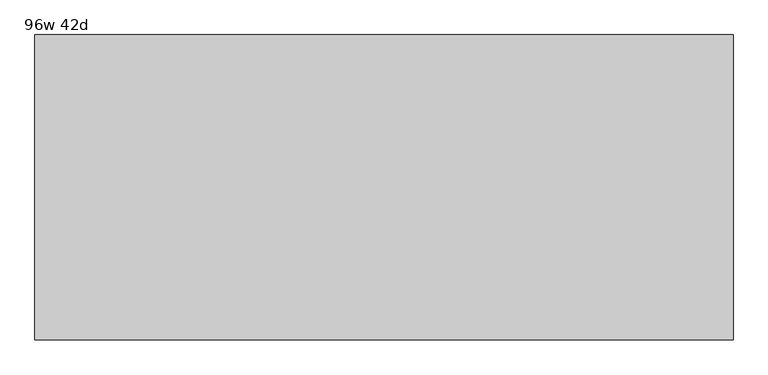
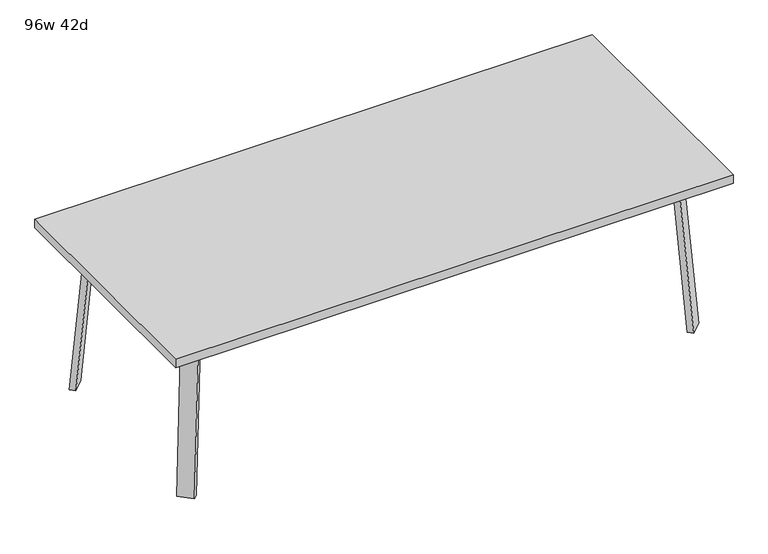
"""IFC4 building model written with IfcOpenShell, lengths in millimetres: furniture geometry, 96w 42d."""

import ifcopenshell
import ifcopenshell.guid

model = None  # the IFC model being written
_history = None  # IfcOwnerHistory: only IFC2X3 demands one
_inside = {}  # id of a spatial element -> (the spatial element, [elements in it])
_under = {}  # id of a project, library or spatial element -> (it, [spatial elements below it])
_declared = {}  # id of a project -> (the project, [libraries it declares])
_typed = {}  # id of a type object -> (the type object, [elements of that type])
_made_of = {}  # id of a material, layer set ... -> (it, [elements and type objects made of it])


def new_model(schema):
    """Start an empty IFC model of exactly this schema.

    Asked for "IFC4X3", IfcOpenShell would pick the latest addendum, in which some entities
    have other attributes; the version numbers below select the first issue.
    IFC2X3 requires an IfcOwnerHistory on every rooted entity: one is made here for all.
    """
    global model, _history
    if schema == "IFC4X3":
        model = ifcopenshell.file(schema_version=(4, 3, 0, 0))
    else:
        model = ifcopenshell.file(schema=schema)
    _inside.clear()
    _under.clear()
    _declared.clear()
    _typed.clear()
    _made_of.clear()
    _history = None
    if model.schema == "IFC2X3":
        org = make("IfcOrganization", Name="unknown")
        user = make(
            "IfcPersonAndOrganization",
            ThePerson=make("IfcPerson", FamilyName="unknown"),
            TheOrganization=org,
        )
        app = make(
            "IfcApplication",
            ApplicationDeveloper=org,
            Version="unknown",
            ApplicationFullName="unknown",
            ApplicationIdentifier="unknown",
        )
        _history = make(
            "IfcOwnerHistory",
            OwningUser=user,
            OwningApplication=app,
            ChangeAction="ADDED",
            CreationDate=0,
        )
    return model


def make(cls, **values):
    """One entity of the class cls with the attributes given. An attribute that is None is left unset."""
    return model.create_entity(
        cls, **{name: value for name, value in values.items() if value is not None}
    )


def rooted(cls, **values):
    """An entity with a GlobalId (a new one), such as an element, a storey or a relation."""
    return make(cls, GlobalId=ifcopenshell.guid.new(), OwnerHistory=_history, **values)


def si_unit(unit_type, name, prefix=None):
    """IfcSIUnit, for example si_unit("LENGTHUNIT", "METRE", prefix="MILLI")."""
    return make("IfcSIUnit", UnitType=unit_type, Prefix=prefix, Name=name)


def assignment(units):
    """IfcUnitAssignment: the units of a project."""
    return None if units is None else make("IfcUnitAssignment", Units=units)


def point(xyz):
    """IfcCartesianPoint."""
    return None if xyz is None else make("IfcCartesianPoint", Coordinates=xyz)


def direction(xyz):
    """IfcDirection."""
    return None if xyz is None else make("IfcDirection", DirectionRatios=xyz)


def frame(location, z_axis=None, x_axis=None):
    """IfcAxis2Placement3D, a coordinate frame: its origin and axes. An axis left out is left unset."""
    return make(
        "IfcAxis2Placement3D",
        Location=point(location),
        Axis=direction(z_axis),
        RefDirection=direction(x_axis),
    )


def frame_2d(location, x_axis=None):
    """IfcAxis2Placement2D, a coordinate frame in the plane: its origin and x axis."""
    return make(
        "IfcAxis2Placement2D", Location=point(location), RefDirection=direction(x_axis)
    )


def origin():
    """The frame at (0, 0, 0) with its axes left unset."""
    return frame((0.0, 0.0, 0.0))


def place(relative_to, where):
    """IfcLocalPlacement: puts the frame where relative to a parent placement (None: the world)."""
    return make(
        "IfcLocalPlacement", PlacementRelTo=relative_to, RelativePlacement=where
    )


def context(
    kind, dimensions, precision=None, world=None, true_north=None, identifier=None
):
    """IfcGeometricRepresentationContext, for example the 3D "Model" context."""
    return make(
        "IfcGeometricRepresentationContext",
        ContextIdentifier=identifier,
        ContextType=kind,
        CoordinateSpaceDimension=dimensions,
        Precision=precision,
        WorldCoordinateSystem=world,
        TrueNorth=true_north,
    )


def project(units=None, contexts=None):
    """IfcProject with its units and contexts."""
    return rooted(
        "IfcProject",
        Name="project",
        RepresentationContexts=contexts,
        UnitsInContext=assignment(units),
    )


def spatial(cls, under=None, at=None, **own):
    """A site, building, storey or space (cls), placed at a placement, below another one or the project."""
    s = rooted(cls, ObjectPlacement=at, **own)
    if under is not None:
        _under.setdefault(under.id(), (under, []))[1].append(s)
    return s


def polyline(points):
    """IfcPolyline through the points."""
    return make("IfcPolyline", Points=[point(p) for p in points])


def circle_curve(where, radius):
    """IfcCircle in the frame where."""
    return make("IfcCircle", Position=where, Radius=radius)


def trimmed(basis, trim1, trim2, sense, master):
    """IfcTrimmedCurve: the piece of a basis curve between two trims."""
    return make(
        "IfcTrimmedCurve",
        BasisCurve=basis,
        Trim1=trim1,
        Trim2=trim2,
        SenseAgreement=sense,
        MasterRepresentation=master,
    )


def segment(curve, same_sense, transition):
    """IfcCompositeCurveSegment."""
    return make(
        "IfcCompositeCurveSegment",
        Transition=transition,
        SameSense=same_sense,
        ParentCurve=curve,
    )


def composite_curve(segments, self_intersect=None):
    """IfcCompositeCurve: segments joined end to end."""
    return make("IfcCompositeCurve", Segments=segments, SelfIntersect=self_intersect)


def outline(outer, holes=None, kind="AREA"):
    """IfcArbitraryClosedProfileDef: a profile drawn as a closed curve; with holes, ...WithVoids."""
    if holes is None:
        return make("IfcArbitraryClosedProfileDef", ProfileType=kind, OuterCurve=outer)
    return make(
        "IfcArbitraryProfileDefWithVoids",
        ProfileType=kind,
        OuterCurve=outer,
        InnerCurves=holes,
    )


def extrude(swept, where, along, depth):
    """IfcExtrudedAreaSolid: the profile swept, set in the frame where, extruded along a direction by depth."""
    return make(
        "IfcExtrudedAreaSolid",
        SweptArea=swept,
        Position=where,
        ExtrudedDirection=direction(along),
        Depth=depth,
    )


def faces_of(points, faces, orient=None, outer=None):
    """IfcFace entities. A face is a list of loops; a loop is a list of indices into points, from 0.

    orient and outer hold one flag for each loop. By default every Orientation is true, the
    first loop of a face is its IfcFaceOuterBound and the others are IfcFaceBound.
    """
    made = []
    for i, loops in enumerate(faces):
        bounds = []
        for j, loop in enumerate(loops):
            is_outer = j == 0 if outer is None else outer[i][j]
            bounds.append(
                make(
                    "IfcFaceOuterBound" if is_outer else "IfcFaceBound",
                    Bound=make("IfcPolyLoop", Polygon=[points[k] for k in loop]),
                    Orientation=True if orient is None else orient[i][j],
                )
            )
        made.append(make("IfcFace", Bounds=bounds))
    return made


def faceted_brep(points, faces, orient=None, outer=None, voids=None):
    """IfcFacetedBrep: a solid bounded by flat faces; with voids (closed shells), ...WithVoids."""
    shared = [point(p) for p in points]
    hull = make("IfcClosedShell", CfsFaces=faces_of(shared, faces, orient, outer))
    if voids is None:
        return make("IfcFacetedBrep", Outer=hull)
    return make(
        "IfcFacetedBrepWithVoids",
        Outer=hull,
        Voids=[
            make(cls, CfsFaces=faces_of(shared, fs, o, b)) for cls, fs, o, b in voids
        ],
    )


def shape(context_of_items, identifier, shape_type, items):
    """IfcShapeRepresentation: the items that make up one representation, for example the "Body"."""
    return make(
        "IfcShapeRepresentation",
        ContextOfItems=context_of_items,
        RepresentationIdentifier=identifier,
        RepresentationType=shape_type,
        Items=items,
    )


def source(mapping_origin, context_of_items, identifier, shape_type, items):
    """IfcRepresentationMap: a shape defined once, which mapped items show again and again."""
    return make(
        "IfcRepresentationMap",
        MappingOrigin=mapping_origin,
        MappedRepresentation=shape(context_of_items, identifier, shape_type, items),
    )


def transform(
    local_origin,
    x_axis=None,
    y_axis=None,
    z_axis=None,
    scale=None,
    scale2=None,
    scale3=None,
    uniform=True,
):
    """IfcCartesianTransformationOperator3D, or its non-uniform kind. x_axis, y_axis, z_axis: its Axis1, 2, 3."""
    if uniform:
        return make(
            "IfcCartesianTransformationOperator3D",
            Axis1=direction(x_axis),
            Axis2=direction(y_axis),
            LocalOrigin=point(local_origin),
            Scale=scale,
            Axis3=direction(z_axis),
        )
    return make(
        "IfcCartesianTransformationOperator3DnonUniform",
        Axis1=direction(x_axis),
        Axis2=direction(y_axis),
        LocalOrigin=point(local_origin),
        Scale=scale,
        Axis3=direction(z_axis),
        Scale2=scale2,
        Scale3=scale3,
    )


def mapped(mapping_source, mapping_target):
    """IfcMappedItem: shows the shape of a source again, moved by a transform."""
    return make(
        "IfcMappedItem", MappingSource=mapping_source, MappingTarget=mapping_target
    )


def made_of(thing, what):
    """Note that an element or type object is made of a material, layer set ...; save() writes the relation."""
    if what is not None:
        _made_of.setdefault(what.id(), (what, []))[1].append(thing)
    return thing


def element(
    cls,
    number,
    at=None,
    inside=None,
    cuts=None,
    type_object=None,
    material=None,
    context=None,
    identifier="Body",
    shape_type=None,
    held_by="IfcProductDefinitionShape",
    body=None,
    shapes=None,
    **own,
):
    """One element of the class cls, such as IfcWall. Its Tag is "e" and its number.

    at: its placement. inside: the storey or other place that contains it. cuts: it is an
    opening in that element (IfcRelVoidsElement). A single representation is given by context,
    identifier, shape_type and body (its items); several are given by shapes. held_by: the class
    of the entity that holds the representations. save() writes the other relations.
    """
    e = rooted(cls, Tag="e%d" % number, ObjectPlacement=at, **own)
    if body is not None:
        shapes = [shape(context, identifier, shape_type, body)]
    if shapes is not None:
        e.Representation = make(held_by, Representations=shapes)
    if inside is not None:
        _inside.setdefault(inside.id(), (inside, []))[1].append(e)
    if cuts is not None:
        rooted(
            "IfcRelVoidsElement", RelatingBuildingElement=cuts, RelatedOpeningElement=e
        )
    if type_object is not None:
        _typed.setdefault(type_object.id(), (type_object, []))[1].append(e)
    return made_of(e, material)


def aggregate(whole, parts):
    """IfcRelAggregates: a whole, such as a stair, and the parts it consists of."""
    return rooted("IfcRelAggregates", RelatingObject=whole, RelatedObjects=parts)


def save(model, path):
    """Write the relations noted so far, then the file.

    IfcRelAggregates (storeys below a building ...), IfcRelContainedInSpatialStructure (elements
    in a storey), IfcRelDefinesByType, IfcRelAssociatesMaterial and IfcRelDeclares: one each for
    every whole, place, type object, material and project.
    """
    for whole, parts in _under.values():
        aggregate(whole, parts)
    for where, things in _inside.values():
        rooted(
            "IfcRelContainedInSpatialStructure",
            RelatedElements=things,
            RelatingStructure=where,
        )
    for kind, things in _typed.values():
        rooted("IfcRelDefinesByType", RelatedObjects=things, RelatingType=kind)
    for what, things in _made_of.values():
        rooted("IfcRelAssociatesMaterial", RelatedObjects=things, RelatingMaterial=what)
    for by, libraries in _declared.values():
        rooted("IfcRelDeclares", RelatingContext=by, RelatedDefinitions=libraries)
    model.write(path)


def furniture_96w_42d_4126aa21(model_context):
    return source(origin(), model_context, "Body", "SolidModel", [
        faceted_brep([(911.0753042, -350.2920519, 695.325), (950.5884312, -310.778925, 695.325), (1005.7047531, -365.8952469, 695.325), (999.0631053, -372.5368947, 695.325), (938.0160726, -377.2328203, 695.325), (1058.3368947, -313.2631053, 695.325), (1052.4020849, -319.1979151, 695.325), (997.285763, -264.0815931, 695.325), (1036.7988899, -224.5684662, 695.325), (1063.7396583, -251.5092346, 695.325), (911.0753042, -350.2920519, 698.5), (938.0160726, -377.2328203, 698.5), (999.0631053, -372.5368947, 698.5), (1058.3368947, -313.2631053, 698.5), (1063.7396583, -251.5092346, 698.5), (1036.7988899, -224.5684662, 698.5), (1005.7047531, -365.8952469, 673.1), (1052.4020849, -319.1979151, 673.1), (960.8034725, -320.9939663, 673.1), (1007.5008043, -274.2966345, 673.1)], [[[0, 1, 2, 3, 4]], [[5, 6, 7, 8, 9]], [[10, 11, 12, 13, 14, 15]], [[4, 11, 10, 0]], [[3, 12, 11, 4]], [[12, 3, 2, 16, 17, 6, 5, 13]], [[9, 14, 13, 5]], [[8, 15, 14, 9]], [[15, 8, 7, 1, 0, 10]], [[2, 1, 18, 16]], [[7, 6, 17, 19]], [[18, 19, 17, 16]], [[1, 7, 19, 18]]]),
        extrude(outline(composite_curve([segment(polyline([(-698.9257667, 0.0), (-704.4601563, 63.2583633), (-679.156811, 65.4721192), (-677.172355, 42.7896831)]), True, "CONTINUOUS"), segment(trimmed(circle_curve(frame_2d((-658.194846, 44.45)), 19.05), [point((-677.172355, 42.7896831))], [point((-658.194846, 25.4))], True, "CARTESIAN"), True, "CONTINUOUS"), segment(polyline([(-658.194846, 25.4), (0.0201778, 25.4), (2.2423899, 0.0), (-698.9257667, 0.0)]), True, "CONTINUOUS")], self_intersect=False)), frame((1091.9792647, -455.5706733, 2.2338569), z_axis=(0.7071067811865512, 0.707106781186544, 0.0), x_axis=(0.06162841671622733, -0.06162841671621349, -0.9961946980917454)), (0.0, 0.0, 1.0), 69.85),
        faceted_brep([(911.0753042, 350.2920519, 695.325), (938.0160726, 377.2328203, 695.325), (999.0631053, 372.5368947, 695.325), (1005.7047531, 365.8952469, 695.325), (950.5884312, 310.778925, 695.325), (1058.3368947, 313.2631053, 695.325), (1063.7396583, 251.5092346, 695.325), (1036.7988899, 224.5684662, 695.325), (997.285763, 264.0815931, 695.325), (1052.4020849, 319.1979151, 695.325), (911.0753042, 350.2920519, 698.5), (1036.7988899, 224.5684662, 698.5), (1063.7396583, 251.5092346, 698.5), (1058.3368947, 313.2631053, 698.5), (999.0631053, 372.5368947, 698.5), (938.0160726, 377.2328203, 698.5), (1052.4020849, 319.1979151, 673.1), (1005.7047531, 365.8952469, 673.1), (960.8034725, 320.9939663, 673.1), (1007.5008043, 274.2966345, 673.1)], [[[0, 1, 2, 3, 4]], [[5, 6, 7, 8, 9]], [[10, 11, 12, 13, 14, 15]], [[1, 0, 10, 15]], [[2, 1, 15, 14]], [[14, 13, 5, 9, 16, 17, 3, 2]], [[6, 5, 13, 12]], [[7, 6, 12, 11]], [[11, 10, 0, 4, 8, 7]], [[3, 17, 18, 4]], [[8, 19, 16, 9]], [[18, 17, 16, 19]], [[4, 18, 19, 8]]]),
        extrude(outline(composite_curve([segment(polyline([(698.9257667, 0.0), (704.4601563, -63.2583633), (679.156811, -65.4721192), (677.172355, -42.7896831)]), True, "CONTINUOUS"), segment(trimmed(circle_curve(frame_2d((658.194846, -44.45)), 19.05), [point((677.172355, -42.7896831))], [point((658.194846, -25.4))], True, "CARTESIAN"), True, "CONTINUOUS"), segment(polyline([(658.194846, -25.4), (-0.0201778, -25.4), (-2.2423899, 0.0), (698.9257667, 0.0)]), True, "CONTINUOUS")], self_intersect=False)), frame((1141.3706733, 406.1792647, 2.2338569), z_axis=(-0.7071067811865512, 0.707106781186544, 0.0), x_axis=(-0.06162841671622733, -0.06162841671621349, 0.9961946980917454)), (0.0, 0.0, 1.0), 69.85),
        faceted_brep([(-911.0753042, 350.2920519, 695.325), (-950.5884312, 310.778925, 695.325), (-1005.7047531, 365.8952469, 695.325), (-999.0631053, 372.5368947, 695.325), (-938.0160726, 377.2328203, 695.325), (-1058.3368947, 313.2631053, 695.325), (-1052.4020849, 319.1979151, 695.325), (-997.285763, 264.0815931, 695.325), (-1036.7988899, 224.5684662, 695.325), (-1063.7396583, 251.5092346, 695.325), (-911.0753042, 350.2920519, 698.5), (-938.0160726, 377.2328203, 698.5), (-999.0631053, 372.5368947, 698.5), (-1058.3368947, 313.2631053, 698.5), (-1063.7396583, 251.5092346, 698.5), (-1036.7988899, 224.5684662, 698.5), (-1005.7047531, 365.8952469, 673.1), (-1052.4020849, 319.1979151, 673.1), (-960.8034725, 320.9939663, 673.1), (-1007.5008043, 274.2966345, 673.1)], [[[0, 1, 2, 3, 4]], [[5, 6, 7, 8, 9]], [[10, 11, 12, 13, 14, 15]], [[4, 11, 10, 0]], [[3, 12, 11, 4]], [[12, 3, 2, 16, 17, 6, 5, 13]], [[9, 14, 13, 5]], [[8, 15, 14, 9]], [[15, 8, 7, 1, 0, 10]], [[2, 1, 18, 16]], [[7, 6, 17, 19]], [[18, 19, 17, 16]], [[1, 7, 19, 18]]]),
        extrude(outline(composite_curve([segment(polyline([(698.9257667, 0.0), (-2.2423899, 0.0), (-0.0201778, 25.4), (658.194846, 25.4)]), True, "CONTINUOUS"), segment(trimmed(circle_curve(frame_2d((658.194846, 44.45)), 19.05), [point((658.194846, 25.4))], [point((677.172355, 42.7896831))], True, "CARTESIAN"), True, "CONTINUOUS"), segment(polyline([(677.172355, 42.7896831), (679.156811, 65.4721192), (704.4601563, 63.2583633), (698.9257667, 0.0)]), True, "CONTINUOUS")], self_intersect=False)), frame((-1141.3706733, 406.1792647, 2.2338569), z_axis=(0.7071067811865512, 0.707106781186544, 0.0), x_axis=(0.06162841671622733, -0.06162841671621349, 0.9961946980917454)), (0.0, 0.0, 1.0), 69.85),
        faceted_brep([(-911.0753042, -350.2920519, 695.325), (-938.0160726, -377.2328203, 695.325), (-999.0631053, -372.5368947, 695.325), (-1005.7047531, -365.8952469, 695.325), (-950.5884312, -310.778925, 695.325), (-1058.3368947, -313.2631053, 695.325), (-1063.7396583, -251.5092346, 695.325), (-1036.7988899, -224.5684662, 695.325), (-997.285763, -264.0815931, 695.325), (-1052.4020849, -319.1979151, 695.325), (-911.0753042, -350.2920519, 698.5), (-1036.7988899, -224.5684662, 698.5), (-1063.7396583, -251.5092346, 698.5), (-1058.3368947, -313.2631053, 698.5), (-999.0631053, -372.5368947, 698.5), (-938.0160726, -377.2328203, 698.5), (-1052.4020849, -319.1979151, 673.1), (-1005.7047531, -365.8952469, 673.1), (-960.8034725, -320.9939663, 673.1), (-1007.5008043, -274.2966345, 673.1)], [[[0, 1, 2, 3, 4]], [[5, 6, 7, 8, 9]], [[10, 11, 12, 13, 14, 15]], [[1, 0, 10, 15]], [[2, 1, 15, 14]], [[14, 13, 5, 9, 16, 17, 3, 2]], [[6, 5, 13, 12]], [[7, 6, 12, 11]], [[11, 10, 0, 4, 8, 7]], [[3, 17, 18, 4]], [[8, 19, 16, 9]], [[18, 17, 16, 19]], [[4, 18, 19, 8]]]),
        extrude(outline(composite_curve([segment(polyline([(-698.9257667, 0.0), (2.2423899, 0.0), (0.0201778, -25.4), (-658.194846, -25.4)]), True, "CONTINUOUS"), segment(trimmed(circle_curve(frame_2d((-658.194846, -44.45)), 19.05), [point((-658.194846, -25.4))], [point((-677.172355, -42.7896831))], True, "CARTESIAN"), True, "CONTINUOUS"), segment(polyline([(-677.172355, -42.7896831), (-679.156811, -65.4721192), (-704.4601563, -63.2583633), (-698.9257667, 0.0)]), True, "CONTINUOUS")], self_intersect=False)), frame((-1091.9792647, -455.5706733, 2.2338569), z_axis=(-0.7071067811865512, 0.707106781186544, 0.0), x_axis=(-0.06162841671622733, -0.06162841671621349, -0.9961946980917454)), (0.0, 0.0, 1.0), 69.85),
        extrude(outline(polyline([(1219.2, 533.4), (1219.2, -533.4), (-1219.2, -533.4), (-1219.2, 533.4), (1219.2, 533.4)])), frame((0.0, 0.0, 698.5), z_axis=(0.0, 0.0, 1.0), x_axis=(1.0, 0.0, 0.0)), (0.0, 0.0, 1.0), 38.1),
    ])


if __name__ == "__main__":
    model = new_model("IFC4")
    model_context = context("Model", 3, world=origin())
    ifc_project = project(units=[si_unit("LENGTHUNIT", "METRE", prefix="MILLI")], contexts=[model_context])
    site = spatial("IfcSite", under=ifc_project)
    building = spatial("IfcBuilding", under=site)
    placement = place(None, origin())
    furniture_96w_42d_shape = furniture_96w_42d_4126aa21(model_context)
    element("IfcFurniture", 1, ObjectType="96w 42d", at=placement, inside=building, context=model_context, shape_type="MappedRepresentation", body=[
        mapped(furniture_96w_42d_shape, transform((0.0, 0.0, 0.0), x_axis=(1.0, 0.0, 0.0), y_axis=(0.0, 1.0, 0.0), z_axis=(0.0, 0.0, 1.0))),
    ])
    save(model, "model.ifc")
